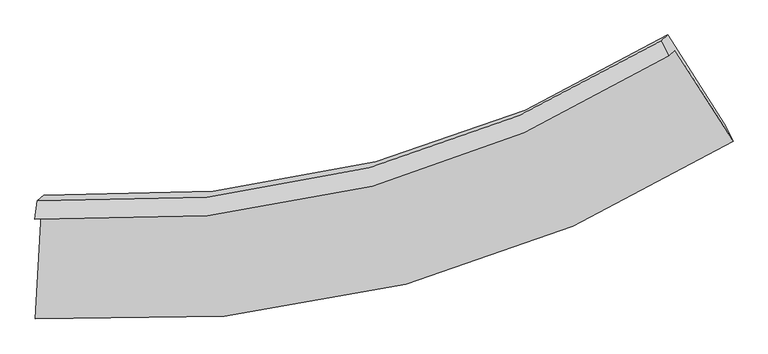
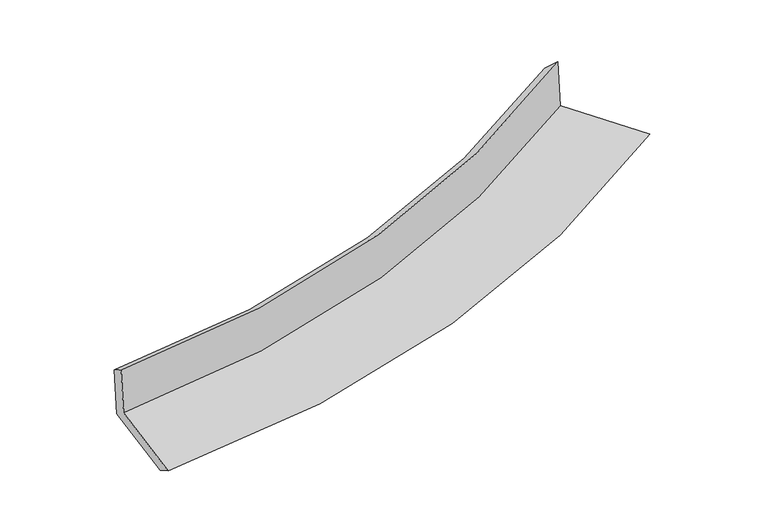
"""IFC4 building model written with IfcOpenShell, lengths in millimetres: proxy geometry."""

from ifc_helpers import new_model, si_unit, frame, origin, place, context, project, spatial, source, transform, mapped, element, save
from ifc_brep_helpers import plane_surface, spline_curve, spline_surface, advanced_brep


def generic_models_21280af9(model_context):
    return source(origin(), model_context, "Body", "AdvancedBrep", [
        advanced_brep(
        [(-2099.4510318, -1931.7073952, 2032.1352641), (-2060.4800341, -1896.7592865, 1648.0317919), (1892.8044936, -876.7491966, 2147.2213515), (1852.9275508, -912.5097318, 2540.2539424), (-2084.7638948, -1816.9251222, 1955.689307), (1807.3804856, -817.5233281, 2447.2194165), (-2045.0185393, -1781.2825909, 1563.9536587), (1847.3141021, -781.7119696, 2053.6282419), (-2080.2272908, -2420.9139368, 1502.1837772), (2200.9282381, -1334.5134782, 2039.2085037), (-2096.579692, -2552.575578, 1584.6989129), (2255.4853694, -1443.7246505, 2132.4318882)],
        [
            (0, 1),
            (1, 2, spline_curve(3, [(-2060.4800341, -1896.7592865, 1648.0317919), (-1328.802293573, -1936.639590998, 1722.045554828), (-627.078539526, -1867.461014749, 1801.662632931), (688.217152267, -1518.479905335, 1968.520418478), (1304.254907355, -1247.655118189, 2055.299860488), (1892.8044936, -876.7491966, 2147.2213515)], [4, 2, 4], [0.0, 6.993415647421382, 13.692800588116835])),
            (2, 3),
            (3, 0, spline_curve(3, [(1852.9275508, -912.5097318, 2540.2539424), (1264.617380251, -1283.200951947, 2445.972737973), (648.774191405, -1553.851257462, 2357.275624069), (-666.215495506, -1902.557950372, 2187.401812058), (-1367.831834321, -1971.640199269, 2106.726033472), (-2099.4510318, -1931.7073952, 2032.1352641)], [4, 2, 4], [0.0, 6.699384940695453, 13.692800588116835])),
            (4, 0),
            (3, 5),
            (5, 4, spline_curve(3, [(1807.3804856, -817.5233281, 2447.2194165), (1227.535768356, -1178.636584903, 2353.996200521), (620.8224565, -1442.815503902, 2267.163089317), (-674.148765093, -1784.644899107, 2102.746497164), (-1364.816913333, -1853.599911432, 2025.736238546), (-2084.7638948, -1816.9251222, 1955.689307)], [4, 2, 4], [0.0, 6.6452410997136475, 13.5821365757931])),
            (6, 4),
            (5, 7),
            (7, 6, spline_curve(3, [(1847.3141021, -781.7119696, 2053.6282419), (1268.030664409, -1142.321886322, 1954.872976837), (661.588996823, -1406.25720227, 1865.362503024), (-633.418996632, -1748.119573649, 1701.308341058), (-1324.421542795, -1817.374464562, 1627.593953653), (-2045.0185393, -1781.2825909, 1563.9536587)], [4, 2, 4], [0.0, 6.5911112309759075, 13.471501121188236])),
            (8, 6),
            (7, 9),
            (9, 8, spline_curve(3, [(2200.9282381, -1334.5134782, 2039.2085037), (1562.20462522, -1742.988529892, 1930.067394274), (894.379388294, -2038.298727602, 1831.474285515), (-530.061902651, -2410.583631102, 1651.5198381), (-1289.288508739, -2477.406919369, 1571.104704946), (-2080.2272908, -2420.9139368, 1502.1837772)], [4, 2, 4], [0.0, 6.923420345952693, 14.15070413538589])),
            (10, 8),
            (9, 11),
            (11, 10, spline_curve(3, [(2255.4853694, -1443.7246505, 2132.4318882), (1603.475234352, -1854.234013514, 2030.468347177), (923.206008414, -2152.374595931, 1934.686643851), (-524.947372892, -2532.071577132, 1751.554445512), (-1295.366500584, -2603.547970596, 1664.758490489), (-2096.579692, -2552.575578, 1584.6989129)], [4, 2, 4], [0.0, 7.314037445569354, 14.949082210195288])),
            (1, 10),
            (11, 2),
        ],
        [
            spline_surface(3, 3, [[(-2099.4510318, -1931.7073952, 2032.1352641), (-1367.831834225, -1971.640199285, 2106.726033367), (-666.215495508, -1902.557950318, 2187.401812163), (648.774191407, -1553.851257514, 2357.275623969), (1264.61738023, -1283.200952017, 2445.972737971), (1852.9275508, -912.5097318, 2540.2539424)], [(-2086.460699225, -1920.058025637, 1904.100773364), (-1354.821987364, -1959.973329853, 1978.499207169), (-653.169843515, -1890.858971839, 2058.822085705), (661.921845033, -1542.060806802, 2227.690555491), (1277.829889293, -1271.35234075, 2315.748445455), (1866.21986508, -900.58955343, 2409.24307877)], [(-2073.470366675, -1908.408656063, 1776.066282636), (-1341.81214053, -1948.306460408, 1850.272380979), (-640.12419153, -1879.159993274, 1930.242359287), (675.069498652, -1530.270356004, 2098.105487052), (1291.042398316, -1259.503729393, 2185.524152929), (1879.51217932, -888.66937497, 2278.23221513)], [(-2060.4800341, -1896.7592865, 1648.0317919), (-1328.802293669, -1936.639590976, 1722.045554781), (-627.078539538, -1867.461014794, 1801.66263283), (688.217152278, -1518.479905292, 1968.520418574), (1304.254907378, -1247.655118126, 2055.299860412), (1892.8044936, -876.7491966, 2147.2213515)]], [4, 4], [4, 2, 4], [0.0, 1.282027600714574], [0.0, 6.993415647421382, 13.692800588116835]),
            spline_surface(3, 3, [[(-2084.7638948, -1816.9251222, 1955.689307), (-1364.816913314, -1853.59991137, 2025.736238436), (-674.148765008, -1784.644899101, 2102.746497154), (620.822456419, -1442.815503908, 2267.163089327), (1227.535768266, -1178.6365848, 2353.996200419), (1807.3804856, -817.5233281, 2447.2194165)], [(-2089.659607126, -1855.185879852, 1981.171292712), (-1365.821886944, -1892.946673994, 2052.732836758), (-671.504341823, -1823.949249508, 2130.964935496), (630.139701433, -1479.827421777, 2297.20060088), (1239.896305601, -1213.491373851, 2384.655046253), (1822.56284068, -849.185462645, 2478.230925117)], [(-2094.555319474, -1893.446637548, 2006.653278388), (-1366.826860596, -1932.293436661, 2079.729435045), (-668.859918693, -1863.253599912, 2159.18337382), (639.456946393, -1516.839339645, 2327.238112415), (1252.256842895, -1248.346162966, 2415.313892137), (1837.74519572, -880.847597255, 2509.242433783)], [(-2099.4510318, -1931.7073952, 2032.1352641), (-1367.831834225, -1971.640199285, 2106.726033367), (-666.215495508, -1902.557950318, 2187.401812163), (648.774191407, -1553.851257514, 2357.275623969), (1264.61738023, -1283.200952017, 2445.972737971), (1852.9275508, -912.5097318, 2540.2539424)]], [4, 4], [4, 2, 4], [0.0, 0.4761077739918095], [0.0, 6.936895476079453, 13.5821365757931]),
            spline_surface(3, 3, [[(-2045.0185393, -1781.2825909, 1563.9536587), (-1324.421542823, -1817.374464675, 1627.593953672), (-633.418996628, -1748.119573619, 1701.308340974), (661.588996819, -1406.257202299, 1865.362503104), (1268.030664429, -1142.321886282, 1954.872976854), (1847.3141021, -781.7119696, 2053.6282419)], [(-2058.26699114, -1793.163434652, 1694.532208136), (-1337.886666327, -1829.449613559, 1760.308048596), (-646.9955861, -1760.294682088, 1835.121059696), (648.000150007, -1418.443302811, 1999.29603184), (1254.532365694, -1154.426785792, 2087.914051382), (1834.002896586, -793.649089104, 2184.825300107)], [(-2071.51544296, -1805.044278448, 1825.110757564), (-1351.35178981, -1841.524762486, 1893.022143512), (-660.572175536, -1772.469790632, 1968.933778432), (634.411303231, -1430.629403396, 2133.229560591), (1241.034067001, -1166.53168529, 2220.95512589), (1820.691691114, -805.586208596, 2316.022358293)], [(-2084.7638948, -1816.9251222, 1955.689307), (-1364.816913314, -1853.59991137, 2025.736238436), (-674.148765008, -1784.644899101, 2102.746497154), (620.822456419, -1442.815503908, 2267.163089327), (1227.535768266, -1178.6365848, 2353.996200419), (1807.3804856, -817.5233281, 2447.2194165)]], [4, 4], [4, 2, 4], [0.0, 1.3297891831423025], [0.0, 6.880389890212329, 13.471501121188236]),
            spline_surface(3, 3, [[(-2080.2272908, -2420.9139368, 1502.1837772), (-1289.288508705, -2477.406919329, 1571.104704991), (-530.061902699, -2410.583630991, 1651.519838216), (894.37938834, -2038.298727708, 1831.474285404), (1562.204625332, -1742.988529811, 1930.06739433), (2200.9282381, -1334.5134782, 2039.2085037)], [(-2068.491040308, -2207.703488197, 1522.773737704), (-1300.999520085, -2257.396101141, 1589.934454556), (-564.514267344, -2189.762278556, 1668.116005818), (816.782591164, -1827.618219261, 1842.770357986), (1464.14663837, -1542.7663153, 1938.335921842), (2083.056859439, -1150.246308665, 2044.015083104)], [(-2056.754789792, -1994.493039503, 1543.363698196), (-1312.710531443, -2037.385282863, 1608.764204107), (-598.966631983, -1968.940926054, 1684.712173373), (739.185793995, -1616.937710747, 1854.066430522), (1366.088651392, -1342.544100793, 1946.604449342), (1965.185480761, -965.979139135, 2048.821662496)], [(-2045.0185393, -1781.2825909, 1563.9536587), (-1324.421542823, -1817.374464675, 1627.593953672), (-633.418996628, -1748.119573619, 1701.308340974), (661.588996819, -1406.257202299, 1865.362503104), (1268.030664429, -1142.321886282, 1954.872976854), (1847.3141021, -781.7119696, 2053.6282419)]], [4, 4], [4, 2, 4], [0.0, 2.1980444145802855], [0.0, 7.227283789433197, 14.15070413538589]),
            spline_surface(3, 3, [[(-2096.579692, -2552.575578, 1584.6989129), (-1295.366500559, -2603.547970696, 1664.758490428), (-524.947372771, -2532.071577249, 1751.554445577), (923.206008299, -2152.37459582, 1934.686643788), (1603.475234313, -1854.234013424, 2030.468347094), (2255.4853694, -1443.7246505, 2132.4318882)], [(-2091.128891573, -2508.688364263, 1557.193867646), (-1293.340503247, -2561.50095357, 1633.540561929), (-526.652216079, -2491.575595138, 1718.209576448), (913.59713498, -2114.349306424, 1900.282524318), (1589.718364665, -1817.152185562, 1997.001362837), (2237.299658979, -1407.320926409, 2101.357426698)], [(-2085.678091227, -2464.801150537, 1529.688822454), (-1291.314506017, -2519.453936455, 1602.32263349), (-528.357059391, -2451.079613102, 1684.864707345), (903.988261658, -2076.324017104, 1865.878404874), (1575.96149498, -1780.070357673, 1963.534378587), (2219.113948521, -1370.917202291, 2070.282965202)], [(-2080.2272908, -2420.9139368, 1502.1837772), (-1289.288508705, -2477.406919329, 1571.104704991), (-530.061902699, -2410.583630991, 1651.519838216), (894.37938834, -2038.298727708, 1831.474285404), (1562.204625332, -1742.988529811, 1930.06739433), (2200.9282381, -1334.5134782, 2039.2085037)]], [4, 4], [4, 2, 4], [0.0, 0.5134652968402341], [0.0, 7.635044764625934, 14.949082210195288]),
            spline_surface(3, 3, [[(-2060.4800341, -1896.7592865, 1648.0317919), (-1328.802293669, -1936.639590976, 1722.045554781), (-627.078539538, -1867.461014794, 1801.66263283), (688.217152278, -1518.479905292, 1968.520418574), (1304.254907378, -1247.655118126, 2055.299860412), (1892.8044936, -876.7491966, 2147.2213515)], [(-2072.513253429, -2115.364716998, 1626.920832238), (-1317.657029328, -2158.942384214, 1702.949866668), (-593.03481729, -2088.997868944, 1784.95990375), (766.546770944, -1729.778135466, 1957.24249365), (1403.995016326, -1449.848083205, 2047.02268931), (2013.698118836, -1065.741014546, 2142.291530404)], [(-2084.546472671, -2333.970147502, 1605.809872562), (-1306.5117649, -2381.245177457, 1683.854178541), (-558.991095019, -2310.534723099, 1768.257174657), (844.876389632, -1941.076365646, 1945.964568712), (1503.735125366, -1652.041048345, 2038.745518196), (2134.591744164, -1254.732832554, 2137.361709296)], [(-2096.579692, -2552.575578, 1584.6989129), (-1295.366500559, -2603.547970696, 1664.758490428), (-524.947372771, -2532.071577249, 1751.554445577), (923.206008299, -2152.37459582, 1934.686643788), (1603.475234313, -1854.234013424, 2030.468347094), (2255.4853694, -1443.7246505, 2132.4318882)]], [4, 4], [4, 2, 4], [0.0, 2.2047931578902027], [0.0, 7.3444345429121345, 14.380080163782859]),
            plane_surface(frame((1976.1400399, -1027.7887258, 2226.6605574), z_axis=(0.8364587832558558, 0.5315876438930589, 0.1332339325185582), x_axis=(-0.5387303103719356, 0.842191807393478, 0.021968437492567734))),
            plane_surface(frame((-2077.7534138, -2066.6939849, 1714.4487853), z_axis=(-0.9934287246337722, 0.06385626099684898, -0.09498287742545719), x_axis=(-0.10053037650725956, -0.09015285031281524, 0.9908411108647964))),
        ],
        [
            (0, [[1, 2, 3, 4]]),
            (1, [[5, -4, 6, 7]]),
            (2, [[8, -7, 9, 10]]),
            (3, [[11, -10, 12, 13]]),
            (4, [[14, -13, 15, 16]]),
            (5, [[17, -16, 18, -2]]),
            (6, [[-12, -9, -6, -3, -18, -15]]),
            (7, [[-1, -5, -8, -11, -14, -17]]),
        ],
    ),
    ])


if __name__ == "__main__":
    model = new_model("IFC4")
    model_context = context("Model", 3, world=origin())
    ifc_project = project(units=[si_unit("LENGTHUNIT", "METRE", prefix="MILLI")], contexts=[model_context])
    site = spatial("IfcSite", under=ifc_project)
    building = spatial("IfcBuilding", under=site)
    placement = place(None, origin())
    generic_models_shape = generic_models_21280af9(model_context)
    element("IfcBuildingElementProxy", 1, Name="Generic Models", at=placement, inside=building, context=model_context, shape_type="MappedRepresentation", body=[
        mapped(generic_models_shape, transform((0.0, 0.0, 0.0), x_axis=(1.0, 0.0, 0.0), y_axis=(0.0, 1.0, 0.0), z_axis=(0.0, 0.0, 1.0))),
    ])
    save(model, "model.ifc")
